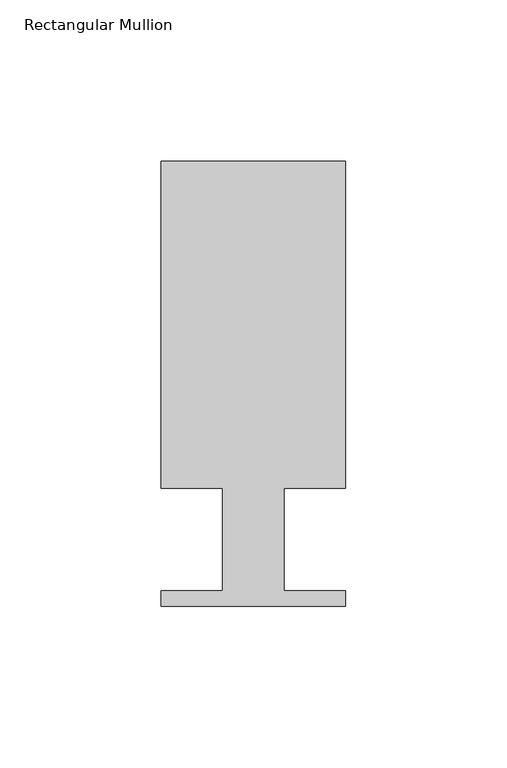
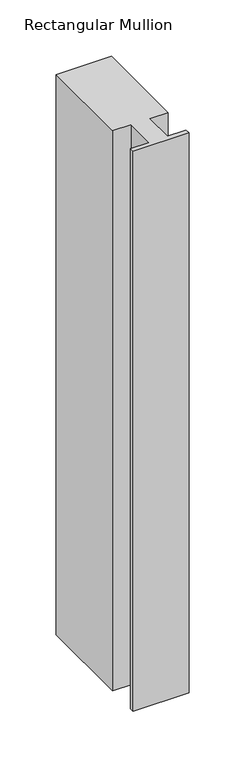
"""IFC4 building model written with IfcOpenShell, lengths in millimetres: member geometry, Rectangular Mullion."""

from ifc_helpers import new_model, si_unit, frame, origin, place, context, project, spatial, polyline, outline, extrude, source, transform, mapped, element, save


def rectangular_mullion_497086c7(model_context):
    return source(origin(), model_context, "Body", "SweptSolid", [
        extrude(outline(polyline([(0.0, 138.3268125), (0.0, 37.1078125), (-19.05, 37.1078125), (-19.05, 5.3578125), (0.0, 5.3578125), (0.0, 0.5318125), (-57.15, 0.5318125), (-57.15, 5.3578125), (-38.1, 5.3578125), (-38.1, 37.1078125), (-57.15, 37.1078125), (-57.15, 138.3268125), (0.0, 138.3268125)])), frame((0.0, 0.0, -609.6), z_axis=(0.0, 0.0, 1.0), x_axis=(1.0, 0.0, 0.0)), (0.0, 0.0, 1.0), 609.6),
    ])


if __name__ == "__main__":
    model = new_model("IFC4")
    model_context = context("Model", 3, world=origin())
    ifc_project = project(units=[si_unit("LENGTHUNIT", "METRE", prefix="MILLI")], contexts=[model_context])
    site = spatial("IfcSite", under=ifc_project)
    building = spatial("IfcBuilding", under=site)
    placement = place(None, origin())
    rectangular_mullion_shape = rectangular_mullion_497086c7(model_context)
    element("IfcMember", 1, ObjectType="Rectangular Mullion", at=placement, inside=building, context=model_context, shape_type="MappedRepresentation", body=[
        mapped(rectangular_mullion_shape, transform((0.0, 0.0, 0.0), x_axis=(1.0, 0.0, 0.0), y_axis=(0.0, 1.0, 0.0), z_axis=(0.0, 0.0, 1.0))),
    ])
    save(model, "model.ifc")
